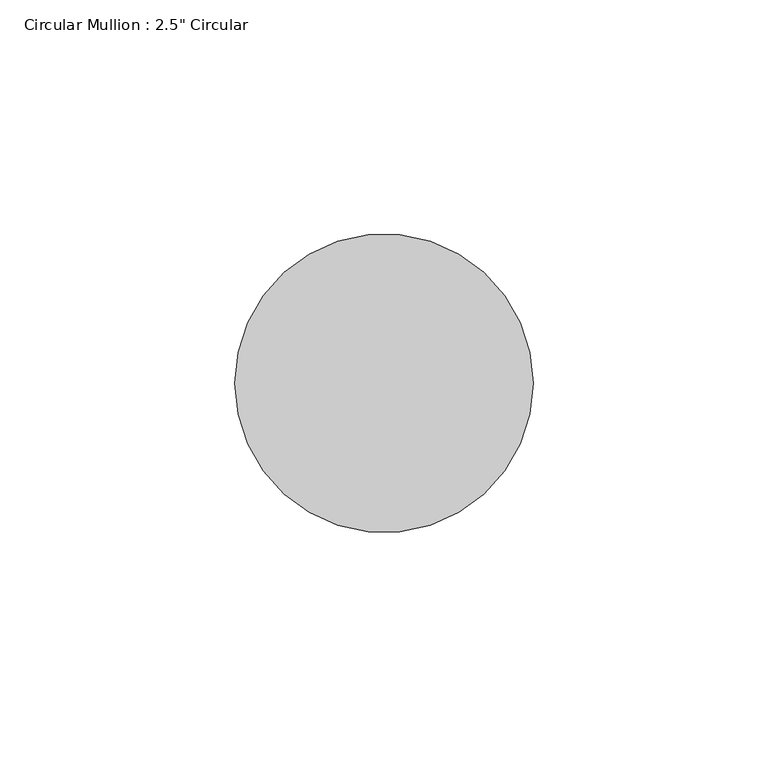
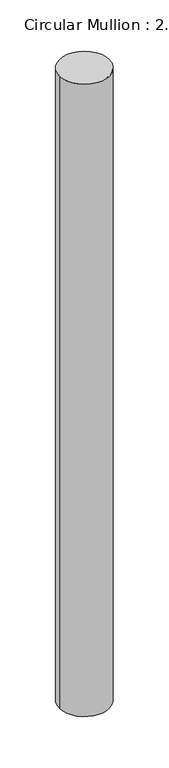
"""IFC4 building model written with IfcOpenShell, lengths in millimetres: member geometry."""

import ifcopenshell
import ifcopenshell.guid

model = None  # the IFC model being written
_history = None  # IfcOwnerHistory: only IFC2X3 demands one
_inside = {}  # id of a spatial element -> (the spatial element, [elements in it])
_under = {}  # id of a project, library or spatial element -> (it, [spatial elements below it])
_declared = {}  # id of a project -> (the project, [libraries it declares])
_typed = {}  # id of a type object -> (the type object, [elements of that type])
_made_of = {}  # id of a material, layer set ... -> (it, [elements and type objects made of it])


def new_model(schema):
    """Start an empty IFC model of exactly this schema.

    Asked for "IFC4X3", IfcOpenShell would pick the latest addendum, in which some entities
    have other attributes; the version numbers below select the first issue.
    IFC2X3 requires an IfcOwnerHistory on every rooted entity: one is made here for all.
    """
    global model, _history
    if schema == "IFC4X3":
        model = ifcopenshell.file(schema_version=(4, 3, 0, 0))
    else:
        model = ifcopenshell.file(schema=schema)
    _inside.clear()
    _under.clear()
    _declared.clear()
    _typed.clear()
    _made_of.clear()
    _history = None
    if model.schema == "IFC2X3":
        org = make("IfcOrganization", Name="unknown")
        user = make(
            "IfcPersonAndOrganization",
            ThePerson=make("IfcPerson", FamilyName="unknown"),
            TheOrganization=org,
        )
        app = make(
            "IfcApplication",
            ApplicationDeveloper=org,
            Version="unknown",
            ApplicationFullName="unknown",
            ApplicationIdentifier="unknown",
        )
        _history = make(
            "IfcOwnerHistory",
            OwningUser=user,
            OwningApplication=app,
            ChangeAction="ADDED",
            CreationDate=0,
        )
    return model


def make(cls, **values):
    """One entity of the class cls with the attributes given. An attribute that is None is left unset."""
    return model.create_entity(
        cls, **{name: value for name, value in values.items() if value is not None}
    )


def rooted(cls, **values):
    """An entity with a GlobalId (a new one), such as an element, a storey or a relation."""
    return make(cls, GlobalId=ifcopenshell.guid.new(), OwnerHistory=_history, **values)


def si_unit(unit_type, name, prefix=None):
    """IfcSIUnit, for example si_unit("LENGTHUNIT", "METRE", prefix="MILLI")."""
    return make("IfcSIUnit", UnitType=unit_type, Prefix=prefix, Name=name)


def assignment(units):
    """IfcUnitAssignment: the units of a project."""
    return None if units is None else make("IfcUnitAssignment", Units=units)


def point(xyz):
    """IfcCartesianPoint."""
    return None if xyz is None else make("IfcCartesianPoint", Coordinates=xyz)


def direction(xyz):
    """IfcDirection."""
    return None if xyz is None else make("IfcDirection", DirectionRatios=xyz)


def frame(location, z_axis=None, x_axis=None):
    """IfcAxis2Placement3D, a coordinate frame: its origin and axes. An axis left out is left unset."""
    return make(
        "IfcAxis2Placement3D",
        Location=point(location),
        Axis=direction(z_axis),
        RefDirection=direction(x_axis),
    )


def frame_2d(location, x_axis=None):
    """IfcAxis2Placement2D, a coordinate frame in the plane: its origin and x axis."""
    return make(
        "IfcAxis2Placement2D", Location=point(location), RefDirection=direction(x_axis)
    )


def origin():
    """The frame at (0, 0, 0) with its axes left unset."""
    return frame((0.0, 0.0, 0.0))


def origin_2d():
    """The frame at (0, 0) in the plane with its x axis left unset."""
    return frame_2d((0.0, 0.0))


def place(relative_to, where):
    """IfcLocalPlacement: puts the frame where relative to a parent placement (None: the world)."""
    return make(
        "IfcLocalPlacement", PlacementRelTo=relative_to, RelativePlacement=where
    )


def context(
    kind, dimensions, precision=None, world=None, true_north=None, identifier=None
):
    """IfcGeometricRepresentationContext, for example the 3D "Model" context."""
    return make(
        "IfcGeometricRepresentationContext",
        ContextIdentifier=identifier,
        ContextType=kind,
        CoordinateSpaceDimension=dimensions,
        Precision=precision,
        WorldCoordinateSystem=world,
        TrueNorth=true_north,
    )


def project(units=None, contexts=None):
    """IfcProject with its units and contexts."""
    return rooted(
        "IfcProject",
        Name="project",
        RepresentationContexts=contexts,
        UnitsInContext=assignment(units),
    )


def spatial(cls, under=None, at=None, **own):
    """A site, building, storey or space (cls), placed at a placement, below another one or the project."""
    s = rooted(cls, ObjectPlacement=at, **own)
    if under is not None:
        _under.setdefault(under.id(), (under, []))[1].append(s)
    return s


def circle_curve(where, radius):
    """IfcCircle in the frame where."""
    return make("IfcCircle", Position=where, Radius=radius)


def trimmed(basis, trim1, trim2, sense, master):
    """IfcTrimmedCurve: the piece of a basis curve between two trims."""
    return make(
        "IfcTrimmedCurve",
        BasisCurve=basis,
        Trim1=trim1,
        Trim2=trim2,
        SenseAgreement=sense,
        MasterRepresentation=master,
    )


def segment(curve, same_sense, transition):
    """IfcCompositeCurveSegment."""
    return make(
        "IfcCompositeCurveSegment",
        Transition=transition,
        SameSense=same_sense,
        ParentCurve=curve,
    )


def composite_curve(segments, self_intersect=None):
    """IfcCompositeCurve: segments joined end to end."""
    return make("IfcCompositeCurve", Segments=segments, SelfIntersect=self_intersect)


def outline(outer, holes=None, kind="AREA"):
    """IfcArbitraryClosedProfileDef: a profile drawn as a closed curve; with holes, ...WithVoids."""
    if holes is None:
        return make("IfcArbitraryClosedProfileDef", ProfileType=kind, OuterCurve=outer)
    return make(
        "IfcArbitraryProfileDefWithVoids",
        ProfileType=kind,
        OuterCurve=outer,
        InnerCurves=holes,
    )


def extrude(swept, where, along, depth):
    """IfcExtrudedAreaSolid: the profile swept, set in the frame where, extruded along a direction by depth."""
    return make(
        "IfcExtrudedAreaSolid",
        SweptArea=swept,
        Position=where,
        ExtrudedDirection=direction(along),
        Depth=depth,
    )


def shape(context_of_items, identifier, shape_type, items):
    """IfcShapeRepresentation: the items that make up one representation, for example the "Body"."""
    return make(
        "IfcShapeRepresentation",
        ContextOfItems=context_of_items,
        RepresentationIdentifier=identifier,
        RepresentationType=shape_type,
        Items=items,
    )


def source(mapping_origin, context_of_items, identifier, shape_type, items):
    """IfcRepresentationMap: a shape defined once, which mapped items show again and again."""
    return make(
        "IfcRepresentationMap",
        MappingOrigin=mapping_origin,
        MappedRepresentation=shape(context_of_items, identifier, shape_type, items),
    )


def transform(
    local_origin,
    x_axis=None,
    y_axis=None,
    z_axis=None,
    scale=None,
    scale2=None,
    scale3=None,
    uniform=True,
):
    """IfcCartesianTransformationOperator3D, or its non-uniform kind. x_axis, y_axis, z_axis: its Axis1, 2, 3."""
    if uniform:
        return make(
            "IfcCartesianTransformationOperator3D",
            Axis1=direction(x_axis),
            Axis2=direction(y_axis),
            LocalOrigin=point(local_origin),
            Scale=scale,
            Axis3=direction(z_axis),
        )
    return make(
        "IfcCartesianTransformationOperator3DnonUniform",
        Axis1=direction(x_axis),
        Axis2=direction(y_axis),
        LocalOrigin=point(local_origin),
        Scale=scale,
        Axis3=direction(z_axis),
        Scale2=scale2,
        Scale3=scale3,
    )


def mapped(mapping_source, mapping_target):
    """IfcMappedItem: shows the shape of a source again, moved by a transform."""
    return make(
        "IfcMappedItem", MappingSource=mapping_source, MappingTarget=mapping_target
    )


def made_of(thing, what):
    """Note that an element or type object is made of a material, layer set ...; save() writes the relation."""
    if what is not None:
        _made_of.setdefault(what.id(), (what, []))[1].append(thing)
    return thing


def element(
    cls,
    number,
    at=None,
    inside=None,
    cuts=None,
    type_object=None,
    material=None,
    context=None,
    identifier="Body",
    shape_type=None,
    held_by="IfcProductDefinitionShape",
    body=None,
    shapes=None,
    **own,
):
    """One element of the class cls, such as IfcWall. Its Tag is "e" and its number.

    at: its placement. inside: the storey or other place that contains it. cuts: it is an
    opening in that element (IfcRelVoidsElement). A single representation is given by context,
    identifier, shape_type and body (its items); several are given by shapes. held_by: the class
    of the entity that holds the representations. save() writes the other relations.
    """
    e = rooted(cls, Tag="e%d" % number, ObjectPlacement=at, **own)
    if body is not None:
        shapes = [shape(context, identifier, shape_type, body)]
    if shapes is not None:
        e.Representation = make(held_by, Representations=shapes)
    if inside is not None:
        _inside.setdefault(inside.id(), (inside, []))[1].append(e)
    if cuts is not None:
        rooted(
            "IfcRelVoidsElement", RelatingBuildingElement=cuts, RelatedOpeningElement=e
        )
    if type_object is not None:
        _typed.setdefault(type_object.id(), (type_object, []))[1].append(e)
    return made_of(e, material)


def aggregate(whole, parts):
    """IfcRelAggregates: a whole, such as a stair, and the parts it consists of."""
    return rooted("IfcRelAggregates", RelatingObject=whole, RelatedObjects=parts)


def save(model, path):
    """Write the relations noted so far, then the file.

    IfcRelAggregates (storeys below a building ...), IfcRelContainedInSpatialStructure (elements
    in a storey), IfcRelDefinesByType, IfcRelAssociatesMaterial and IfcRelDeclares: one each for
    every whole, place, type object, material and project.
    """
    for whole, parts in _under.values():
        aggregate(whole, parts)
    for where, things in _inside.values():
        rooted(
            "IfcRelContainedInSpatialStructure",
            RelatedElements=things,
            RelatingStructure=where,
        )
    for kind, things in _typed.values():
        rooted("IfcRelDefinesByType", RelatedObjects=things, RelatingType=kind)
    for what, things in _made_of.values():
        rooted("IfcRelAssociatesMaterial", RelatedObjects=things, RelatingMaterial=what)
    for by, libraries in _declared.values():
        rooted("IfcRelDeclares", RelatingContext=by, RelatedDefinitions=libraries)
    model.write(path)


def member_54856120(model_context):
    return source(origin(), model_context, "Body", "SweptSolid", [
        extrude(outline(composite_curve([segment(trimmed(circle_curve(origin_2d(), 31.75), [point((31.75, 0.0))], [point((-31.75, 0.0))], False, "CARTESIAN"), True, "CONTINUOUS"), segment(trimmed(circle_curve(origin_2d(), 31.75), [point((-31.75, 0.0))], [point((31.75, 0.0))], False, "CARTESIAN"), True, "CONTINUOUS")], self_intersect=False)), frame((0.0, 0.0, -850.9), z_axis=(0.0, 0.0, 1.0), x_axis=(1.0, 0.0, 0.0)), (0.0, 0.0, 1.0), 850.9),
    ])


if __name__ == "__main__":
    model = new_model("IFC4")
    model_context = context("Model", 3, world=origin())
    ifc_project = project(units=[si_unit("LENGTHUNIT", "METRE", prefix="MILLI")], contexts=[model_context])
    site = spatial("IfcSite", under=ifc_project)
    building = spatial("IfcBuilding", under=site)
    placement = place(None, origin())
    member_shape = member_54856120(model_context)
    element("IfcMember", 1, ObjectType="Circular Mullion : 2.5\" Circular", at=placement, inside=building, context=model_context, shape_type="MappedRepresentation", body=[
        mapped(member_shape, transform((0.0, 0.0, 0.0), x_axis=(1.0, 0.0, 0.0), y_axis=(0.0, 1.0, 0.0), z_axis=(0.0, 0.0, 1.0))),
    ])
    save(model, "model.ifc")
